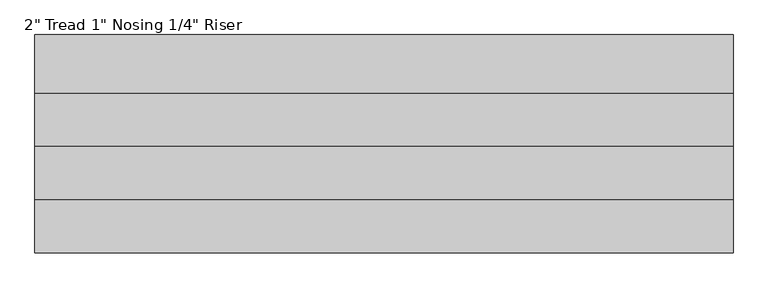
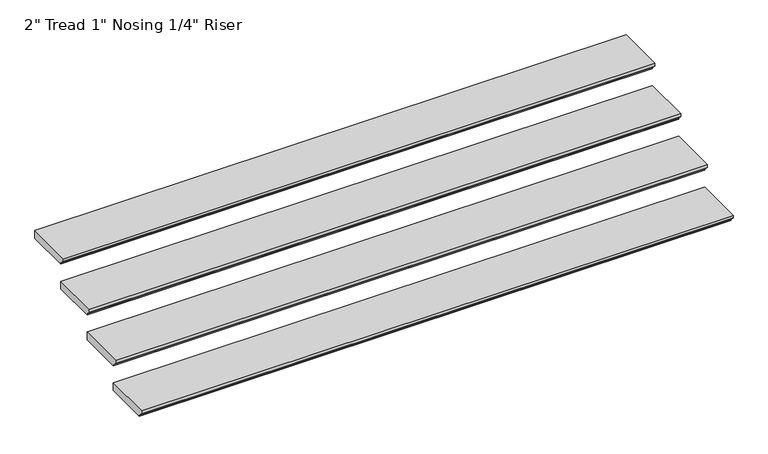
"""IFC4 building model written with IfcOpenShell, lengths in millimetres: stair flight geometry."""

from ifc_helpers import new_model, si_unit, frame, origin, place, context, project, spatial, polyline, outline, extrude, source, transform, mapped, element, save


def stair_flight_4f9faeca(model_context):
    return source(origin(), model_context, "Body", "SweptSolid", [
        extrude(outline(polyline([(-8591.6235697, 162.56), (-8286.8235697, 162.56), (-8286.8235697, 111.76), (-8566.2235697, 111.76), (-8566.2235697, 118.11), (-8591.6235697, 143.51), (-8591.6235697, 162.56)])), frame((-9777.7809414, 0.0, 0.0), z_axis=(1.0, 0.0, 0.0), x_axis=(0.0, 1.0, 0.0)), (0.0, 0.0, 1.0), 3657.6),
        extrude(outline(polyline([(-8312.2235697, 325.12), (-8007.4235697, 325.12), (-8007.4235697, 274.32), (-8286.8235697, 274.32), (-8286.8235697, 280.67), (-8312.2235697, 306.07), (-8312.2235697, 325.12)])), frame((-9777.7809414, 0.0, 0.0), z_axis=(1.0, 0.0, 0.0), x_axis=(0.0, 1.0, 0.0)), (0.0, 0.0, 1.0), 3657.6),
        extrude(outline(polyline([(-8032.8235697, 487.68), (-7728.0235697, 487.68), (-7728.0235697, 436.88), (-8007.4235697, 436.88), (-8007.4235697, 443.23), (-8032.8235697, 468.63), (-8032.8235697, 487.68)])), frame((-9777.7809414, 0.0, 0.0), z_axis=(1.0, 0.0, 0.0), x_axis=(0.0, 1.0, 0.0)), (0.0, 0.0, 1.0), 3657.6),
        extrude(outline(polyline([(-7753.4235697, 650.24), (-7448.6235697, 650.24), (-7448.6235697, 599.44), (-7728.0235697, 599.44), (-7728.0235697, 605.79), (-7753.4235697, 631.19), (-7753.4235697, 650.24)])), frame((-9777.7809414, 0.0, 0.0), z_axis=(1.0, 0.0, 0.0), x_axis=(0.0, 1.0, 0.0)), (0.0, 0.0, 1.0), 3657.6),
    ])


if __name__ == "__main__":
    model = new_model("IFC4")
    model_context = context("Model", 3, world=origin())
    ifc_project = project(units=[si_unit("LENGTHUNIT", "METRE", prefix="MILLI")], contexts=[model_context])
    site = spatial("IfcSite", under=ifc_project)
    building = spatial("IfcBuilding", under=site)
    placement = place(None, origin())
    stair_flight_shape = stair_flight_4f9faeca(model_context)
    element("IfcStairFlight", 1, ObjectType="2\" Tread 1\" Nosing 1/4\" Riser", at=placement, inside=building, context=model_context, shape_type="MappedRepresentation", body=[
        mapped(stair_flight_shape, transform((0.0, 0.0, 0.0), x_axis=(1.0, 0.0, 0.0), y_axis=(0.0, 1.0, 0.0), z_axis=(0.0, 0.0, 1.0))),
    ])
    save(model, "model.ifc")
